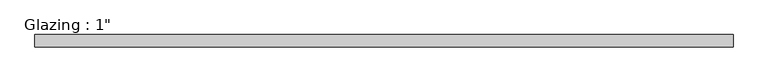
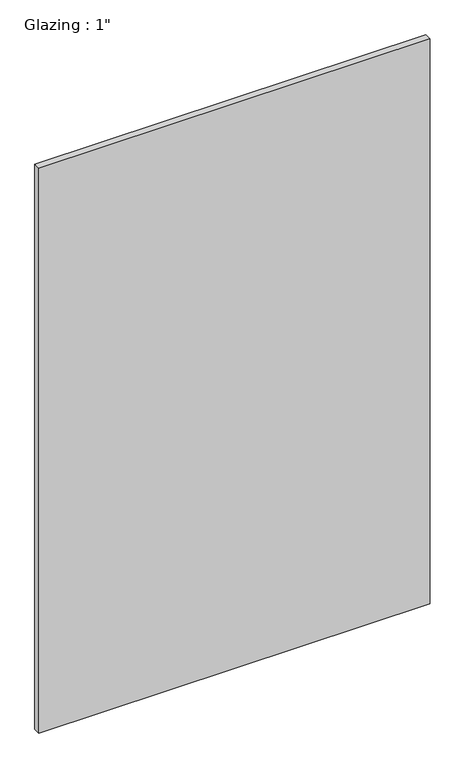
"""IFC4 building model written with IfcOpenShell, lengths in millimetres: plate geometry."""

import ifcopenshell
import ifcopenshell.guid

model = None  # the IFC model being written
_history = None  # IfcOwnerHistory: only IFC2X3 demands one
_inside = {}  # id of a spatial element -> (the spatial element, [elements in it])
_under = {}  # id of a project, library or spatial element -> (it, [spatial elements below it])
_declared = {}  # id of a project -> (the project, [libraries it declares])
_typed = {}  # id of a type object -> (the type object, [elements of that type])
_made_of = {}  # id of a material, layer set ... -> (it, [elements and type objects made of it])


def new_model(schema):
    """Start an empty IFC model of exactly this schema.

    Asked for "IFC4X3", IfcOpenShell would pick the latest addendum, in which some entities
    have other attributes; the version numbers below select the first issue.
    IFC2X3 requires an IfcOwnerHistory on every rooted entity: one is made here for all.
    """
    global model, _history
    if schema == "IFC4X3":
        model = ifcopenshell.file(schema_version=(4, 3, 0, 0))
    else:
        model = ifcopenshell.file(schema=schema)
    _inside.clear()
    _under.clear()
    _declared.clear()
    _typed.clear()
    _made_of.clear()
    _history = None
    if model.schema == "IFC2X3":
        org = make("IfcOrganization", Name="unknown")
        user = make(
            "IfcPersonAndOrganization",
            ThePerson=make("IfcPerson", FamilyName="unknown"),
            TheOrganization=org,
        )
        app = make(
            "IfcApplication",
            ApplicationDeveloper=org,
            Version="unknown",
            ApplicationFullName="unknown",
            ApplicationIdentifier="unknown",
        )
        _history = make(
            "IfcOwnerHistory",
            OwningUser=user,
            OwningApplication=app,
            ChangeAction="ADDED",
            CreationDate=0,
        )
    return model


def make(cls, **values):
    """One entity of the class cls with the attributes given. An attribute that is None is left unset."""
    return model.create_entity(
        cls, **{name: value for name, value in values.items() if value is not None}
    )


def rooted(cls, **values):
    """An entity with a GlobalId (a new one), such as an element, a storey or a relation."""
    return make(cls, GlobalId=ifcopenshell.guid.new(), OwnerHistory=_history, **values)


def si_unit(unit_type, name, prefix=None):
    """IfcSIUnit, for example si_unit("LENGTHUNIT", "METRE", prefix="MILLI")."""
    return make("IfcSIUnit", UnitType=unit_type, Prefix=prefix, Name=name)


def assignment(units):
    """IfcUnitAssignment: the units of a project."""
    return None if units is None else make("IfcUnitAssignment", Units=units)


def point(xyz):
    """IfcCartesianPoint."""
    return None if xyz is None else make("IfcCartesianPoint", Coordinates=xyz)


def direction(xyz):
    """IfcDirection."""
    return None if xyz is None else make("IfcDirection", DirectionRatios=xyz)


def frame(location, z_axis=None, x_axis=None):
    """IfcAxis2Placement3D, a coordinate frame: its origin and axes. An axis left out is left unset."""
    return make(
        "IfcAxis2Placement3D",
        Location=point(location),
        Axis=direction(z_axis),
        RefDirection=direction(x_axis),
    )


def origin():
    """The frame at (0, 0, 0) with its axes left unset."""
    return frame((0.0, 0.0, 0.0))


def origin_with_axes():
    """The frame at (0, 0, 0) with the z axis (0, 0, 1) and the x axis (1, 0, 0) written out."""
    return frame((0.0, 0.0, 0.0), z_axis=(0.0, 0.0, 1.0), x_axis=(1.0, 0.0, 0.0))


def place(relative_to, where):
    """IfcLocalPlacement: puts the frame where relative to a parent placement (None: the world)."""
    return make(
        "IfcLocalPlacement", PlacementRelTo=relative_to, RelativePlacement=where
    )


def context(
    kind, dimensions, precision=None, world=None, true_north=None, identifier=None
):
    """IfcGeometricRepresentationContext, for example the 3D "Model" context."""
    return make(
        "IfcGeometricRepresentationContext",
        ContextIdentifier=identifier,
        ContextType=kind,
        CoordinateSpaceDimension=dimensions,
        Precision=precision,
        WorldCoordinateSystem=world,
        TrueNorth=true_north,
    )


def project(units=None, contexts=None):
    """IfcProject with its units and contexts."""
    return rooted(
        "IfcProject",
        Name="project",
        RepresentationContexts=contexts,
        UnitsInContext=assignment(units),
    )


def spatial(cls, under=None, at=None, **own):
    """A site, building, storey or space (cls), placed at a placement, below another one or the project."""
    s = rooted(cls, ObjectPlacement=at, **own)
    if under is not None:
        _under.setdefault(under.id(), (under, []))[1].append(s)
    return s


def polyline(points):
    """IfcPolyline through the points."""
    return make("IfcPolyline", Points=[point(p) for p in points])


def outline(outer, holes=None, kind="AREA"):
    """IfcArbitraryClosedProfileDef: a profile drawn as a closed curve; with holes, ...WithVoids."""
    if holes is None:
        return make("IfcArbitraryClosedProfileDef", ProfileType=kind, OuterCurve=outer)
    return make(
        "IfcArbitraryProfileDefWithVoids",
        ProfileType=kind,
        OuterCurve=outer,
        InnerCurves=holes,
    )


def extrude(swept, where, along, depth):
    """IfcExtrudedAreaSolid: the profile swept, set in the frame where, extruded along a direction by depth."""
    return make(
        "IfcExtrudedAreaSolid",
        SweptArea=swept,
        Position=where,
        ExtrudedDirection=direction(along),
        Depth=depth,
    )


def shape(context_of_items, identifier, shape_type, items):
    """IfcShapeRepresentation: the items that make up one representation, for example the "Body"."""
    return make(
        "IfcShapeRepresentation",
        ContextOfItems=context_of_items,
        RepresentationIdentifier=identifier,
        RepresentationType=shape_type,
        Items=items,
    )


def source(mapping_origin, context_of_items, identifier, shape_type, items):
    """IfcRepresentationMap: a shape defined once, which mapped items show again and again."""
    return make(
        "IfcRepresentationMap",
        MappingOrigin=mapping_origin,
        MappedRepresentation=shape(context_of_items, identifier, shape_type, items),
    )


def transform(
    local_origin,
    x_axis=None,
    y_axis=None,
    z_axis=None,
    scale=None,
    scale2=None,
    scale3=None,
    uniform=True,
):
    """IfcCartesianTransformationOperator3D, or its non-uniform kind. x_axis, y_axis, z_axis: its Axis1, 2, 3."""
    if uniform:
        return make(
            "IfcCartesianTransformationOperator3D",
            Axis1=direction(x_axis),
            Axis2=direction(y_axis),
            LocalOrigin=point(local_origin),
            Scale=scale,
            Axis3=direction(z_axis),
        )
    return make(
        "IfcCartesianTransformationOperator3DnonUniform",
        Axis1=direction(x_axis),
        Axis2=direction(y_axis),
        LocalOrigin=point(local_origin),
        Scale=scale,
        Axis3=direction(z_axis),
        Scale2=scale2,
        Scale3=scale3,
    )


def mapped(mapping_source, mapping_target):
    """IfcMappedItem: shows the shape of a source again, moved by a transform."""
    return make(
        "IfcMappedItem", MappingSource=mapping_source, MappingTarget=mapping_target
    )


def made_of(thing, what):
    """Note that an element or type object is made of a material, layer set ...; save() writes the relation."""
    if what is not None:
        _made_of.setdefault(what.id(), (what, []))[1].append(thing)
    return thing


def element(
    cls,
    number,
    at=None,
    inside=None,
    cuts=None,
    type_object=None,
    material=None,
    context=None,
    identifier="Body",
    shape_type=None,
    held_by="IfcProductDefinitionShape",
    body=None,
    shapes=None,
    **own,
):
    """One element of the class cls, such as IfcWall. Its Tag is "e" and its number.

    at: its placement. inside: the storey or other place that contains it. cuts: it is an
    opening in that element (IfcRelVoidsElement). A single representation is given by context,
    identifier, shape_type and body (its items); several are given by shapes. held_by: the class
    of the entity that holds the representations. save() writes the other relations.
    """
    e = rooted(cls, Tag="e%d" % number, ObjectPlacement=at, **own)
    if body is not None:
        shapes = [shape(context, identifier, shape_type, body)]
    if shapes is not None:
        e.Representation = make(held_by, Representations=shapes)
    if inside is not None:
        _inside.setdefault(inside.id(), (inside, []))[1].append(e)
    if cuts is not None:
        rooted(
            "IfcRelVoidsElement", RelatingBuildingElement=cuts, RelatedOpeningElement=e
        )
    if type_object is not None:
        _typed.setdefault(type_object.id(), (type_object, []))[1].append(e)
    return made_of(e, material)


def aggregate(whole, parts):
    """IfcRelAggregates: a whole, such as a stair, and the parts it consists of."""
    return rooted("IfcRelAggregates", RelatingObject=whole, RelatedObjects=parts)


def save(model, path):
    """Write the relations noted so far, then the file.

    IfcRelAggregates (storeys below a building ...), IfcRelContainedInSpatialStructure (elements
    in a storey), IfcRelDefinesByType, IfcRelAssociatesMaterial and IfcRelDeclares: one each for
    every whole, place, type object, material and project.
    """
    for whole, parts in _under.values():
        aggregate(whole, parts)
    for where, things in _inside.values():
        rooted(
            "IfcRelContainedInSpatialStructure",
            RelatedElements=things,
            RelatingStructure=where,
        )
    for kind, things in _typed.values():
        rooted("IfcRelDefinesByType", RelatedObjects=things, RelatingType=kind)
    for what, things in _made_of.values():
        rooted("IfcRelAssociatesMaterial", RelatedObjects=things, RelatingMaterial=what)
    for by, libraries in _declared.values():
        rooted("IfcRelDeclares", RelatingContext=by, RelatedDefinitions=libraries)
    model.write(path)


def plate_0238f16e(model_context):
    return source(origin(), model_context, "Body", "SweptSolid", [
        extrude(outline(polyline([(713.8402241, -12.7), (-713.8402241, -12.7), (-713.8402241, 12.7), (713.8402241, 12.7), (713.8402241, -12.7)])), origin_with_axes(), (0.0, 0.0, 1.0), 2177.9425731),
    ])


if __name__ == "__main__":
    model = new_model("IFC4")
    model_context = context("Model", 3, world=origin())
    ifc_project = project(units=[si_unit("LENGTHUNIT", "METRE", prefix="MILLI")], contexts=[model_context])
    site = spatial("IfcSite", under=ifc_project)
    building = spatial("IfcBuilding", under=site)
    placement = place(None, origin())
    plate_shape = plate_0238f16e(model_context)
    element("IfcPlate", 1, ObjectType="Glazing : 1\"", at=placement, inside=building, context=model_context, shape_type="MappedRepresentation", body=[
        mapped(plate_shape, transform((0.0, 0.0, 0.0), x_axis=(1.0, 0.0, 0.0), y_axis=(0.0, 1.0, 0.0), z_axis=(0.0, 0.0, 1.0))),
    ])
    save(model, "model.ifc")
